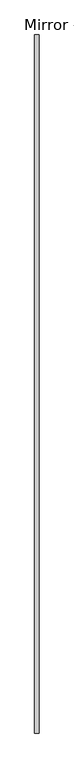
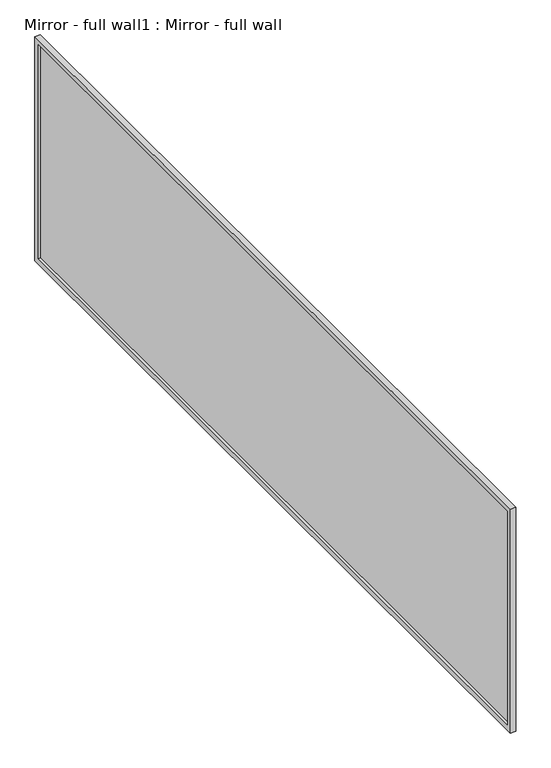
"""IFC4 building model written with IfcOpenShell, lengths in millimetres: proxy geometry, Mirror - full wall1 : Mirror - full wall."""

import ifcopenshell
import ifcopenshell.guid

model = None  # the IFC model being written
_history = None  # IfcOwnerHistory: only IFC2X3 demands one
_inside = {}  # id of a spatial element -> (the spatial element, [elements in it])
_under = {}  # id of a project, library or spatial element -> (it, [spatial elements below it])
_declared = {}  # id of a project -> (the project, [libraries it declares])
_typed = {}  # id of a type object -> (the type object, [elements of that type])
_made_of = {}  # id of a material, layer set ... -> (it, [elements and type objects made of it])


def new_model(schema):
    """Start an empty IFC model of exactly this schema.

    Asked for "IFC4X3", IfcOpenShell would pick the latest addendum, in which some entities
    have other attributes; the version numbers below select the first issue.
    IFC2X3 requires an IfcOwnerHistory on every rooted entity: one is made here for all.
    """
    global model, _history
    if schema == "IFC4X3":
        model = ifcopenshell.file(schema_version=(4, 3, 0, 0))
    else:
        model = ifcopenshell.file(schema=schema)
    _inside.clear()
    _under.clear()
    _declared.clear()
    _typed.clear()
    _made_of.clear()
    _history = None
    if model.schema == "IFC2X3":
        org = make("IfcOrganization", Name="unknown")
        user = make(
            "IfcPersonAndOrganization",
            ThePerson=make("IfcPerson", FamilyName="unknown"),
            TheOrganization=org,
        )
        app = make(
            "IfcApplication",
            ApplicationDeveloper=org,
            Version="unknown",
            ApplicationFullName="unknown",
            ApplicationIdentifier="unknown",
        )
        _history = make(
            "IfcOwnerHistory",
            OwningUser=user,
            OwningApplication=app,
            ChangeAction="ADDED",
            CreationDate=0,
        )
    return model


def make(cls, **values):
    """One entity of the class cls with the attributes given. An attribute that is None is left unset."""
    return model.create_entity(
        cls, **{name: value for name, value in values.items() if value is not None}
    )


def rooted(cls, **values):
    """An entity with a GlobalId (a new one), such as an element, a storey or a relation."""
    return make(cls, GlobalId=ifcopenshell.guid.new(), OwnerHistory=_history, **values)


def si_unit(unit_type, name, prefix=None):
    """IfcSIUnit, for example si_unit("LENGTHUNIT", "METRE", prefix="MILLI")."""
    return make("IfcSIUnit", UnitType=unit_type, Prefix=prefix, Name=name)


def assignment(units):
    """IfcUnitAssignment: the units of a project."""
    return None if units is None else make("IfcUnitAssignment", Units=units)


def point(xyz):
    """IfcCartesianPoint."""
    return None if xyz is None else make("IfcCartesianPoint", Coordinates=xyz)


def direction(xyz):
    """IfcDirection."""
    return None if xyz is None else make("IfcDirection", DirectionRatios=xyz)


def frame(location, z_axis=None, x_axis=None):
    """IfcAxis2Placement3D, a coordinate frame: its origin and axes. An axis left out is left unset."""
    return make(
        "IfcAxis2Placement3D",
        Location=point(location),
        Axis=direction(z_axis),
        RefDirection=direction(x_axis),
    )


def origin():
    """The frame at (0, 0, 0) with its axes left unset."""
    return frame((0.0, 0.0, 0.0))


def place(relative_to, where):
    """IfcLocalPlacement: puts the frame where relative to a parent placement (None: the world)."""
    return make(
        "IfcLocalPlacement", PlacementRelTo=relative_to, RelativePlacement=where
    )


def context(
    kind, dimensions, precision=None, world=None, true_north=None, identifier=None
):
    """IfcGeometricRepresentationContext, for example the 3D "Model" context."""
    return make(
        "IfcGeometricRepresentationContext",
        ContextIdentifier=identifier,
        ContextType=kind,
        CoordinateSpaceDimension=dimensions,
        Precision=precision,
        WorldCoordinateSystem=world,
        TrueNorth=true_north,
    )


def project(units=None, contexts=None):
    """IfcProject with its units and contexts."""
    return rooted(
        "IfcProject",
        Name="project",
        RepresentationContexts=contexts,
        UnitsInContext=assignment(units),
    )


def spatial(cls, under=None, at=None, **own):
    """A site, building, storey or space (cls), placed at a placement, below another one or the project."""
    s = rooted(cls, ObjectPlacement=at, **own)
    if under is not None:
        _under.setdefault(under.id(), (under, []))[1].append(s)
    return s


def polyline(points):
    """IfcPolyline through the points."""
    return make("IfcPolyline", Points=[point(p) for p in points])


def outline(outer, holes=None, kind="AREA"):
    """IfcArbitraryClosedProfileDef: a profile drawn as a closed curve; with holes, ...WithVoids."""
    if holes is None:
        return make("IfcArbitraryClosedProfileDef", ProfileType=kind, OuterCurve=outer)
    return make(
        "IfcArbitraryProfileDefWithVoids",
        ProfileType=kind,
        OuterCurve=outer,
        InnerCurves=holes,
    )


def extrude(swept, where, along, depth):
    """IfcExtrudedAreaSolid: the profile swept, set in the frame where, extruded along a direction by depth."""
    return make(
        "IfcExtrudedAreaSolid",
        SweptArea=swept,
        Position=where,
        ExtrudedDirection=direction(along),
        Depth=depth,
    )


def shape(context_of_items, identifier, shape_type, items):
    """IfcShapeRepresentation: the items that make up one representation, for example the "Body"."""
    return make(
        "IfcShapeRepresentation",
        ContextOfItems=context_of_items,
        RepresentationIdentifier=identifier,
        RepresentationType=shape_type,
        Items=items,
    )


def source(mapping_origin, context_of_items, identifier, shape_type, items):
    """IfcRepresentationMap: a shape defined once, which mapped items show again and again."""
    return make(
        "IfcRepresentationMap",
        MappingOrigin=mapping_origin,
        MappedRepresentation=shape(context_of_items, identifier, shape_type, items),
    )


def transform(
    local_origin,
    x_axis=None,
    y_axis=None,
    z_axis=None,
    scale=None,
    scale2=None,
    scale3=None,
    uniform=True,
):
    """IfcCartesianTransformationOperator3D, or its non-uniform kind. x_axis, y_axis, z_axis: its Axis1, 2, 3."""
    if uniform:
        return make(
            "IfcCartesianTransformationOperator3D",
            Axis1=direction(x_axis),
            Axis2=direction(y_axis),
            LocalOrigin=point(local_origin),
            Scale=scale,
            Axis3=direction(z_axis),
        )
    return make(
        "IfcCartesianTransformationOperator3DnonUniform",
        Axis1=direction(x_axis),
        Axis2=direction(y_axis),
        LocalOrigin=point(local_origin),
        Scale=scale,
        Axis3=direction(z_axis),
        Scale2=scale2,
        Scale3=scale3,
    )


def mapped(mapping_source, mapping_target):
    """IfcMappedItem: shows the shape of a source again, moved by a transform."""
    return make(
        "IfcMappedItem", MappingSource=mapping_source, MappingTarget=mapping_target
    )


def made_of(thing, what):
    """Note that an element or type object is made of a material, layer set ...; save() writes the relation."""
    if what is not None:
        _made_of.setdefault(what.id(), (what, []))[1].append(thing)
    return thing


def element(
    cls,
    number,
    at=None,
    inside=None,
    cuts=None,
    type_object=None,
    material=None,
    context=None,
    identifier="Body",
    shape_type=None,
    held_by="IfcProductDefinitionShape",
    body=None,
    shapes=None,
    **own,
):
    """One element of the class cls, such as IfcWall. Its Tag is "e" and its number.

    at: its placement. inside: the storey or other place that contains it. cuts: it is an
    opening in that element (IfcRelVoidsElement). A single representation is given by context,
    identifier, shape_type and body (its items); several are given by shapes. held_by: the class
    of the entity that holds the representations. save() writes the other relations.
    """
    e = rooted(cls, Tag="e%d" % number, ObjectPlacement=at, **own)
    if body is not None:
        shapes = [shape(context, identifier, shape_type, body)]
    if shapes is not None:
        e.Representation = make(held_by, Representations=shapes)
    if inside is not None:
        _inside.setdefault(inside.id(), (inside, []))[1].append(e)
    if cuts is not None:
        rooted(
            "IfcRelVoidsElement", RelatingBuildingElement=cuts, RelatedOpeningElement=e
        )
    if type_object is not None:
        _typed.setdefault(type_object.id(), (type_object, []))[1].append(e)
    return made_of(e, material)


def aggregate(whole, parts):
    """IfcRelAggregates: a whole, such as a stair, and the parts it consists of."""
    return rooted("IfcRelAggregates", RelatingObject=whole, RelatedObjects=parts)


def save(model, path):
    """Write the relations noted so far, then the file.

    IfcRelAggregates (storeys below a building ...), IfcRelContainedInSpatialStructure (elements
    in a storey), IfcRelDefinesByType, IfcRelAssociatesMaterial and IfcRelDeclares: one each for
    every whole, place, type object, material and project.
    """
    for whole, parts in _under.values():
        aggregate(whole, parts)
    for where, things in _inside.values():
        rooted(
            "IfcRelContainedInSpatialStructure",
            RelatedElements=things,
            RelatingStructure=where,
        )
    for kind, things in _typed.values():
        rooted("IfcRelDefinesByType", RelatedObjects=things, RelatingType=kind)
    for what, things in _made_of.values():
        rooted("IfcRelAssociatesMaterial", RelatedObjects=things, RelatingMaterial=what)
    for by, libraries in _declared.values():
        rooted("IfcRelDeclares", RelatingContext=by, RelatedDefinitions=libraries)
    model.write(path)


def mirror_full_wall1_mirror_full_wall_f98f6810(model_context):
    return source(origin(), model_context, "Body", "SweptSolid", [
        extrude(outline(polyline([(454870.9254676, -269855.1705223), (454870.9254676, -266018.6095059), (454883.6254676, -266018.6095059), (454883.6254676, -269855.1705223), (454870.9254676, -269855.1705223)])), frame((0.0, 0.0, 1041.4), z_axis=(0.0, 0.0, 1.0), x_axis=(1.0, 0.0, 0.0)), (0.0, 0.0, 1.0), 1066.8),
        extrude(outline(polyline([(-265993.2095059, 2133.6), (-265993.2095059, 1016.0), (-269881.1733948, 1016.0), (-269881.1733948, 2133.6), (-265993.2095059, 2133.6)]), holes=[polyline([(-266018.6095059, 2108.2), (-269855.1705223, 2108.2), (-269855.1705223, 1041.4), (-266018.6095059, 1041.4), (-266018.6095059, 2108.2)])]), frame((454858.2254676, 0.0, 0.0), z_axis=(1.0, 0.0, 0.0), x_axis=(0.0, 1.0, 0.0)), (0.0, 0.0, 1.0), 25.4),
    ])


if __name__ == "__main__":
    model = new_model("IFC4")
    model_context = context("Model", 3, world=origin())
    ifc_project = project(units=[si_unit("LENGTHUNIT", "METRE", prefix="MILLI")], contexts=[model_context])
    site = spatial("IfcSite", under=ifc_project)
    building = spatial("IfcBuilding", under=site)
    placement = place(None, origin())
    mirror_full_wall1_mirror_full_wall_shape = mirror_full_wall1_mirror_full_wall_f98f6810(model_context)
    element("IfcBuildingElementProxy", 1, Name="Mirror - full wall1 : Mirror - full wall", ObjectType="Mirror - full wall1 : Mirror - full wall", at=placement, inside=building, context=model_context, shape_type="MappedRepresentation", body=[
        mapped(mirror_full_wall1_mirror_full_wall_shape, transform((0.0, 0.0, 0.0), x_axis=(1.0, 0.0, 0.0), y_axis=(0.0, 1.0, 0.0), z_axis=(0.0, 0.0, 1.0))),
    ])
    save(model, "model.ifc")
